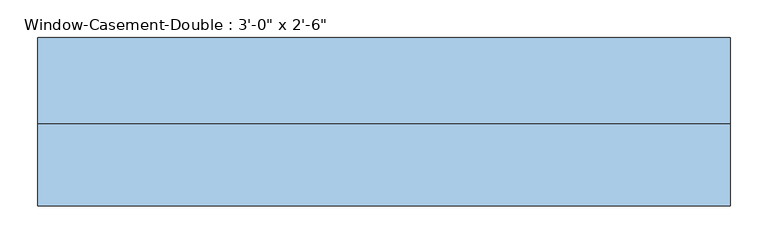
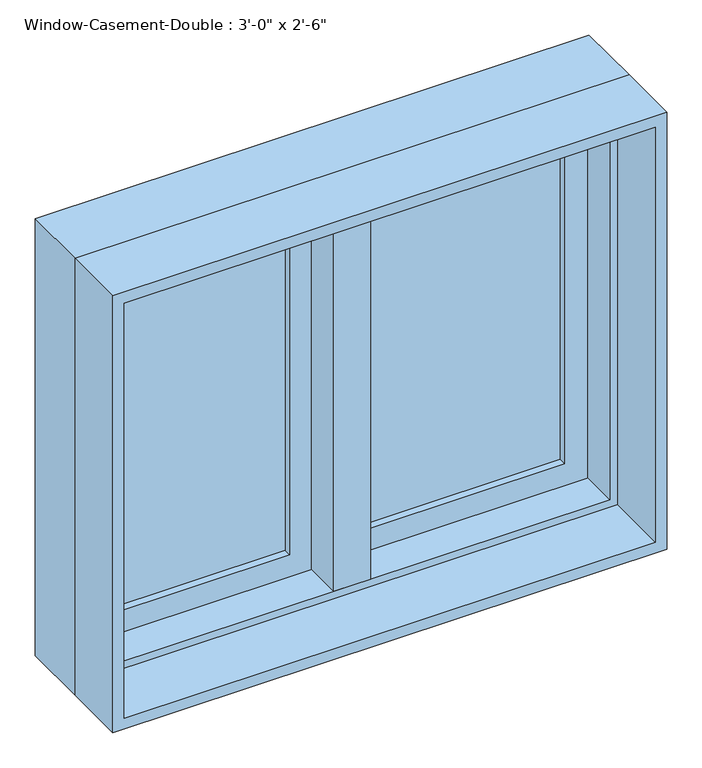
"""IFC4 building model written with IfcOpenShell, lengths in millimetres: window geometry."""

import ifcopenshell
import ifcopenshell.guid

model = None  # the IFC model being written
_history = None  # IfcOwnerHistory: only IFC2X3 demands one
_inside = {}  # id of a spatial element -> (the spatial element, [elements in it])
_under = {}  # id of a project, library or spatial element -> (it, [spatial elements below it])
_declared = {}  # id of a project -> (the project, [libraries it declares])
_typed = {}  # id of a type object -> (the type object, [elements of that type])
_made_of = {}  # id of a material, layer set ... -> (it, [elements and type objects made of it])


def new_model(schema):
    """Start an empty IFC model of exactly this schema.

    Asked for "IFC4X3", IfcOpenShell would pick the latest addendum, in which some entities
    have other attributes; the version numbers below select the first issue.
    IFC2X3 requires an IfcOwnerHistory on every rooted entity: one is made here for all.
    """
    global model, _history
    if schema == "IFC4X3":
        model = ifcopenshell.file(schema_version=(4, 3, 0, 0))
    else:
        model = ifcopenshell.file(schema=schema)
    _inside.clear()
    _under.clear()
    _declared.clear()
    _typed.clear()
    _made_of.clear()
    _history = None
    if model.schema == "IFC2X3":
        org = make("IfcOrganization", Name="unknown")
        user = make(
            "IfcPersonAndOrganization",
            ThePerson=make("IfcPerson", FamilyName="unknown"),
            TheOrganization=org,
        )
        app = make(
            "IfcApplication",
            ApplicationDeveloper=org,
            Version="unknown",
            ApplicationFullName="unknown",
            ApplicationIdentifier="unknown",
        )
        _history = make(
            "IfcOwnerHistory",
            OwningUser=user,
            OwningApplication=app,
            ChangeAction="ADDED",
            CreationDate=0,
        )
    return model


def make(cls, **values):
    """One entity of the class cls with the attributes given. An attribute that is None is left unset."""
    return model.create_entity(
        cls, **{name: value for name, value in values.items() if value is not None}
    )


def rooted(cls, **values):
    """An entity with a GlobalId (a new one), such as an element, a storey or a relation."""
    return make(cls, GlobalId=ifcopenshell.guid.new(), OwnerHistory=_history, **values)


def si_unit(unit_type, name, prefix=None):
    """IfcSIUnit, for example si_unit("LENGTHUNIT", "METRE", prefix="MILLI")."""
    return make("IfcSIUnit", UnitType=unit_type, Prefix=prefix, Name=name)


def assignment(units):
    """IfcUnitAssignment: the units of a project."""
    return None if units is None else make("IfcUnitAssignment", Units=units)


def point(xyz):
    """IfcCartesianPoint."""
    return None if xyz is None else make("IfcCartesianPoint", Coordinates=xyz)


def direction(xyz):
    """IfcDirection."""
    return None if xyz is None else make("IfcDirection", DirectionRatios=xyz)


def frame(location, z_axis=None, x_axis=None):
    """IfcAxis2Placement3D, a coordinate frame: its origin and axes. An axis left out is left unset."""
    return make(
        "IfcAxis2Placement3D",
        Location=point(location),
        Axis=direction(z_axis),
        RefDirection=direction(x_axis),
    )


def origin():
    """The frame at (0, 0, 0) with its axes left unset."""
    return frame((0.0, 0.0, 0.0))


def place(relative_to, where):
    """IfcLocalPlacement: puts the frame where relative to a parent placement (None: the world)."""
    return make(
        "IfcLocalPlacement", PlacementRelTo=relative_to, RelativePlacement=where
    )


def context(
    kind, dimensions, precision=None, world=None, true_north=None, identifier=None
):
    """IfcGeometricRepresentationContext, for example the 3D "Model" context."""
    return make(
        "IfcGeometricRepresentationContext",
        ContextIdentifier=identifier,
        ContextType=kind,
        CoordinateSpaceDimension=dimensions,
        Precision=precision,
        WorldCoordinateSystem=world,
        TrueNorth=true_north,
    )


def project(units=None, contexts=None):
    """IfcProject with its units and contexts."""
    return rooted(
        "IfcProject",
        Name="project",
        RepresentationContexts=contexts,
        UnitsInContext=assignment(units),
    )


def spatial(cls, under=None, at=None, **own):
    """A site, building, storey or space (cls), placed at a placement, below another one or the project."""
    s = rooted(cls, ObjectPlacement=at, **own)
    if under is not None:
        _under.setdefault(under.id(), (under, []))[1].append(s)
    return s


def polyline(points):
    """IfcPolyline through the points."""
    return make("IfcPolyline", Points=[point(p) for p in points])


def outline(outer, holes=None, kind="AREA"):
    """IfcArbitraryClosedProfileDef: a profile drawn as a closed curve; with holes, ...WithVoids."""
    if holes is None:
        return make("IfcArbitraryClosedProfileDef", ProfileType=kind, OuterCurve=outer)
    return make(
        "IfcArbitraryProfileDefWithVoids",
        ProfileType=kind,
        OuterCurve=outer,
        InnerCurves=holes,
    )


def extrude(swept, where, along, depth):
    """IfcExtrudedAreaSolid: the profile swept, set in the frame where, extruded along a direction by depth."""
    return make(
        "IfcExtrudedAreaSolid",
        SweptArea=swept,
        Position=where,
        ExtrudedDirection=direction(along),
        Depth=depth,
    )


def faces_of(points, faces, orient=None, outer=None):
    """IfcFace entities. A face is a list of loops; a loop is a list of indices into points, from 0.

    orient and outer hold one flag for each loop. By default every Orientation is true, the
    first loop of a face is its IfcFaceOuterBound and the others are IfcFaceBound.
    """
    made = []
    for i, loops in enumerate(faces):
        bounds = []
        for j, loop in enumerate(loops):
            is_outer = j == 0 if outer is None else outer[i][j]
            bounds.append(
                make(
                    "IfcFaceOuterBound" if is_outer else "IfcFaceBound",
                    Bound=make("IfcPolyLoop", Polygon=[points[k] for k in loop]),
                    Orientation=True if orient is None else orient[i][j],
                )
            )
        made.append(make("IfcFace", Bounds=bounds))
    return made


def faceted_brep(points, faces, orient=None, outer=None, voids=None):
    """IfcFacetedBrep: a solid bounded by flat faces; with voids (closed shells), ...WithVoids."""
    shared = [point(p) for p in points]
    hull = make("IfcClosedShell", CfsFaces=faces_of(shared, faces, orient, outer))
    if voids is None:
        return make("IfcFacetedBrep", Outer=hull)
    return make(
        "IfcFacetedBrepWithVoids",
        Outer=hull,
        Voids=[
            make(cls, CfsFaces=faces_of(shared, fs, o, b)) for cls, fs, o, b in voids
        ],
    )


def shape(context_of_items, identifier, shape_type, items):
    """IfcShapeRepresentation: the items that make up one representation, for example the "Body"."""
    return make(
        "IfcShapeRepresentation",
        ContextOfItems=context_of_items,
        RepresentationIdentifier=identifier,
        RepresentationType=shape_type,
        Items=items,
    )


def source(mapping_origin, context_of_items, identifier, shape_type, items):
    """IfcRepresentationMap: a shape defined once, which mapped items show again and again."""
    return make(
        "IfcRepresentationMap",
        MappingOrigin=mapping_origin,
        MappedRepresentation=shape(context_of_items, identifier, shape_type, items),
    )


def transform(
    local_origin,
    x_axis=None,
    y_axis=None,
    z_axis=None,
    scale=None,
    scale2=None,
    scale3=None,
    uniform=True,
):
    """IfcCartesianTransformationOperator3D, or its non-uniform kind. x_axis, y_axis, z_axis: its Axis1, 2, 3."""
    if uniform:
        return make(
            "IfcCartesianTransformationOperator3D",
            Axis1=direction(x_axis),
            Axis2=direction(y_axis),
            LocalOrigin=point(local_origin),
            Scale=scale,
            Axis3=direction(z_axis),
        )
    return make(
        "IfcCartesianTransformationOperator3DnonUniform",
        Axis1=direction(x_axis),
        Axis2=direction(y_axis),
        LocalOrigin=point(local_origin),
        Scale=scale,
        Axis3=direction(z_axis),
        Scale2=scale2,
        Scale3=scale3,
    )


def mapped(mapping_source, mapping_target):
    """IfcMappedItem: shows the shape of a source again, moved by a transform."""
    return make(
        "IfcMappedItem", MappingSource=mapping_source, MappingTarget=mapping_target
    )


def made_of(thing, what):
    """Note that an element or type object is made of a material, layer set ...; save() writes the relation."""
    if what is not None:
        _made_of.setdefault(what.id(), (what, []))[1].append(thing)
    return thing


def element(
    cls,
    number,
    at=None,
    inside=None,
    cuts=None,
    type_object=None,
    material=None,
    context=None,
    identifier="Body",
    shape_type=None,
    held_by="IfcProductDefinitionShape",
    body=None,
    shapes=None,
    **own,
):
    """One element of the class cls, such as IfcWall. Its Tag is "e" and its number.

    at: its placement. inside: the storey or other place that contains it. cuts: it is an
    opening in that element (IfcRelVoidsElement). A single representation is given by context,
    identifier, shape_type and body (its items); several are given by shapes. held_by: the class
    of the entity that holds the representations. save() writes the other relations.
    """
    e = rooted(cls, Tag="e%d" % number, ObjectPlacement=at, **own)
    if body is not None:
        shapes = [shape(context, identifier, shape_type, body)]
    if shapes is not None:
        e.Representation = make(held_by, Representations=shapes)
    if inside is not None:
        _inside.setdefault(inside.id(), (inside, []))[1].append(e)
    if cuts is not None:
        rooted(
            "IfcRelVoidsElement", RelatingBuildingElement=cuts, RelatedOpeningElement=e
        )
    if type_object is not None:
        _typed.setdefault(type_object.id(), (type_object, []))[1].append(e)
    return made_of(e, material)


def aggregate(whole, parts):
    """IfcRelAggregates: a whole, such as a stair, and the parts it consists of."""
    return rooted("IfcRelAggregates", RelatingObject=whole, RelatedObjects=parts)


def save(model, path):
    """Write the relations noted so far, then the file.

    IfcRelAggregates (storeys below a building ...), IfcRelContainedInSpatialStructure (elements
    in a storey), IfcRelDefinesByType, IfcRelAssociatesMaterial and IfcRelDeclares: one each for
    every whole, place, type object, material and project.
    """
    for whole, parts in _under.values():
        aggregate(whole, parts)
    for where, things in _inside.values():
        rooted(
            "IfcRelContainedInSpatialStructure",
            RelatedElements=things,
            RelatingStructure=where,
        )
    for kind, things in _typed.values():
        rooted("IfcRelDefinesByType", RelatedObjects=things, RelatingType=kind)
    for what, things in _made_of.values():
        rooted("IfcRelAssociatesMaterial", RelatedObjects=things, RelatingMaterial=what)
    for by, libraries in _declared.values():
        rooted("IfcRelDeclares", RelatingContext=by, RelatedDefinitions=libraries)
    model.write(path)


def window_e73c6b79(model_context):
    return source(origin(), model_context, "Body", "SolidModel", [
        faceted_brep([(9.525, 120.65, 1663.7), (-9.525, 120.65, 1663.7), (-9.525, 69.85, 1663.7), (9.525, 69.85, 1663.7), (9.525, 120.65, 927.1), (9.525, 69.85, 927.1), (-9.525, 69.85, 927.1), (-9.525, 120.65, 927.1), (-9.525, 69.85, 946.15), (-9.525, 69.85, 1644.65), (-30.1625, 69.85, 946.15), (-30.1625, 69.85, 1644.65), (-30.1625, 6.35, 946.15), (-30.1625, 6.35, 1644.65), (30.1625, 6.35, 946.15), (30.1625, 6.35, 1644.65), (30.1625, 69.85, 946.15), (30.1625, 69.85, 1644.65), (9.525, 69.85, 946.15), (9.525, 69.85, 1644.65)], [[[0, 1, 2, 3]], [[4, 5, 6, 7]], [[1, 0, 4, 7]], [[2, 1, 7, 6, 8, 9]], [[9, 8, 10, 11]], [[11, 10, 12, 13]], [[13, 12, 14, 15]], [[15, 14, 16, 17]], [[17, 16, 18, 19]], [[0, 3, 19, 18, 5, 4]], [[18, 8, 6, 5]], [[9, 19, 3, 2]], [[8, 18, 16, 14, 12, 10]], [[19, 9, 11, 13, 15, 17]]]),
        extrude(outline(polyline([(-66.675, 101.6), (-66.675, 95.25), (-387.35, 95.25), (-387.35, 101.6), (-66.675, 101.6)])), frame((0.0, 0.0, 984.25), z_axis=(0.0, 0.0, 1.0), x_axis=(1.0, 0.0, 0.0)), (0.0, 0.0, 1.0), 622.3),
        extrude(outline(polyline([(-387.35, 82.55), (-387.35, 88.9), (-66.675, 88.9), (-66.675, 82.55), (-387.35, 82.55)])), frame((0.0, 0.0, 984.25), z_axis=(0.0, 0.0, 1.0), x_axis=(1.0, 0.0, 0.0)), (0.0, 0.0, 1.0), 622.3),
        extrude(outline(polyline([(387.35, 101.6), (387.35, 95.25), (66.675, 95.25), (66.675, 101.6), (387.35, 101.6)])), frame((0.0, 0.0, 984.25), z_axis=(0.0, 0.0, 1.0), x_axis=(1.0, 0.0, 0.0)), (0.0, 0.0, 1.0), 622.3),
        extrude(outline(polyline([(66.675, 82.55), (66.675, 88.9), (387.35, 88.9), (387.35, 82.55), (66.675, 82.55)])), frame((0.0, 0.0, 984.25), z_axis=(0.0, 0.0, 1.0), x_axis=(1.0, 0.0, 0.0)), (0.0, 0.0, 1.0), 622.3),
        extrude(outline(polyline([(1663.7, -444.5), (927.1, -444.5), (927.1, -9.525), (1663.7, -9.525), (1663.7, -444.5)]), holes=[polyline([(1606.55, -66.675), (984.25, -66.675), (984.25, -387.35), (1606.55, -387.35), (1606.55, -66.675)])]), frame((0.0, 69.85, 0.0), z_axis=(0.0, 1.0, 0.0), x_axis=(0.0, 0.0, 1.0)), (0.0, 0.0, 1.0), 44.45),
        extrude(outline(polyline([(927.1, 444.5), (1663.7, 444.5), (1663.7, 9.525), (927.1, 9.525), (927.1, 444.5)]), holes=[polyline([(984.25, 66.675), (1606.55, 66.675), (1606.55, 387.35), (984.25, 387.35), (984.25, 66.675)])]), frame((0.0, 69.85, 0.0), z_axis=(0.0, 1.0, 0.0), x_axis=(0.0, 0.0, 1.0)), (0.0, 0.0, 1.0), 44.45),
        extrude(outline(polyline([(1676.4, -457.2), (914.4, -457.2), (914.4, 457.2), (1676.4, 457.2), (1676.4, -457.2)]), holes=[polyline([(1657.35, 438.15), (933.45, 438.15), (933.45, -438.15), (1657.35, -438.15), (1657.35, 438.15)])]), frame((0.0, -101.6, 0.0), z_axis=(0.0, 1.0, 0.0), x_axis=(0.0, 0.0, 1.0)), (0.0, 0.0, 1.0), 107.95),
        faceted_brep([(425.45, 69.85, 1644.65), (425.45, 6.35, 1644.65), (-425.45, 6.35, 1644.65), (-425.45, 69.85, 1644.65), (444.5, 120.65, 1663.7), (444.5, 69.85, 1663.7), (-444.5, 69.85, 1663.7), (-444.5, 120.65, 1663.7), (457.2, 6.35, 1676.4), (457.2, 120.65, 1676.4), (-457.2, 120.65, 1676.4), (-457.2, 6.35, 1676.4), (-425.45, 6.35, 946.15), (-425.45, 69.85, 946.15), (-444.5, 69.85, 927.1), (-444.5, 120.65, 927.1), (-457.2, 120.65, 914.4), (-457.2, 6.35, 914.4), (425.45, 6.35, 946.15), (425.45, 69.85, 946.15), (444.5, 69.85, 927.1), (444.5, 120.65, 927.1), (457.2, 120.65, 914.4), (457.2, 6.35, 914.4)], [[[0, 1, 2, 3]], [[4, 5, 6, 7]], [[8, 9, 10, 11]], [[3, 2, 12, 13]], [[7, 6, 14, 15]], [[11, 10, 16, 17]], [[13, 12, 18, 19]], [[15, 14, 20, 21]], [[17, 16, 22, 23]], [[11, 17, 23, 8], [1, 18, 12, 2]], [[19, 18, 1, 0]], [[5, 20, 14, 6], [3, 13, 19, 0]], [[21, 20, 5, 4]], [[23, 22, 9, 8]], [[9, 22, 16, 10], [7, 15, 21, 4]]]),
    ])


if __name__ == "__main__":
    model = new_model("IFC4")
    model_context = context("Model", 3, world=origin())
    ifc_project = project(units=[si_unit("LENGTHUNIT", "METRE", prefix="MILLI")], contexts=[model_context])
    site = spatial("IfcSite", under=ifc_project)
    building = spatial("IfcBuilding", under=site)
    placement = place(None, origin())
    window_shape = window_e73c6b79(model_context)
    element("IfcWindow", 1, ObjectType="Window-Casement-Double : 3'-0\" x 2'-6\"", at=placement, inside=building, context=model_context, shape_type="MappedRepresentation", body=[
        mapped(window_shape, transform((0.0, 0.0, 0.0), x_axis=(1.0, 0.0, 0.0), y_axis=(0.0, 1.0, 0.0), z_axis=(0.0, 0.0, 1.0))),
    ])
    save(model, "model.ifc")
